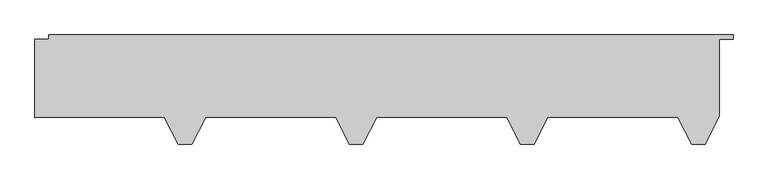
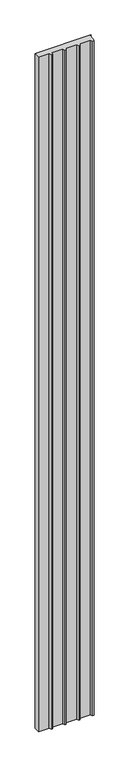
"""IFC4 building model written with IfcOpenShell, lengths in millimetres: plate geometry."""

from ifc_helpers import new_model, si_unit, origin, origin_with_axes, place, context, project, spatial, polyline, outline, extrude, source, transform, mapped, element, save


def plate_5098e1a4(model_context):
    return source(origin(), model_context, "Body", "SweptSolid", [
        extrude(outline(polyline([(479.2444272, -160.0), (459.2444272, -160.0), (439.2444272, -120.0), (249.2444272, -120.0), (229.2444272, -160.0), (209.2444272, -160.0), (189.2444272, -120.0), (-0.7555728, -120.0), (-20.7555728, -160.0), (-40.7555728, -160.0), (-60.7555728, -120.0), (-250.7555728, -120.0), (-270.7555728, -160.0), (-290.7555728, -160.0), (-310.7555728, -120.0), (-499.5055728, -120.0), (-500.0, -120.9888544), (-500.0, -6.496736), (-480.0, -6.496736), (-480.0, 0.0), (520.0, 0.0), (520.0, -6.0), (500.0, -6.0), (500.0, -118.4888544), (479.2444272, -160.0)])), origin_with_axes(), (0.0, 0.0, 1.0), 12918.2129182),
    ])


if __name__ == "__main__":
    model = new_model("IFC4")
    model_context = context("Model", 3, world=origin())
    ifc_project = project(units=[si_unit("LENGTHUNIT", "METRE", prefix="MILLI")], contexts=[model_context])
    site = spatial("IfcSite", under=ifc_project)
    building = spatial("IfcBuilding", under=site)
    placement = place(None, origin())
    plate_shape = plate_5098e1a4(model_context)
    element("IfcPlate", 1, at=placement, inside=building, context=model_context, shape_type="MappedRepresentation", body=[
        mapped(plate_shape, transform((0.0, 0.0, 0.0), x_axis=(1.0, 0.0, 0.0), y_axis=(0.0, 1.0, 0.0), z_axis=(0.0, 0.0, 1.0))),
    ])
    save(model, "model.ifc")
